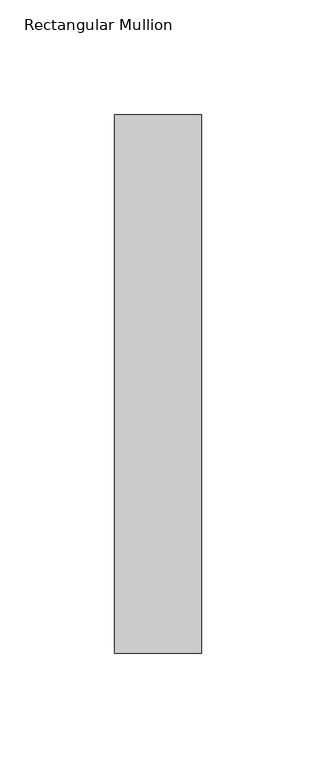
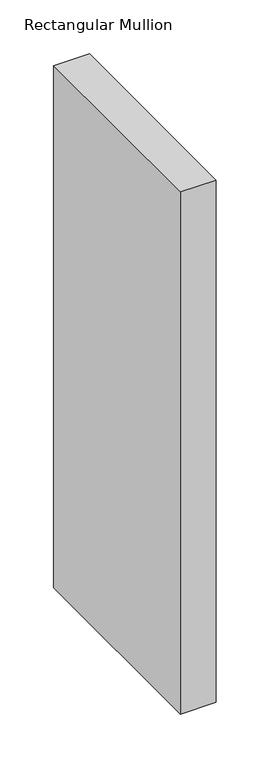
"""IFC4 building model written with IfcOpenShell, lengths in millimetres: member geometry, Rectangular Mullion."""

from ifc_helpers import new_model, si_unit, frame, origin, place, context, project, spatial, polyline, outline, extrude, source, transform, mapped, element, save


def rectangular_mullion_9ac63370(model_context):
    return source(origin(), model_context, "Body", "SweptSolid", [
        extrude(outline(polyline([(0.0, 0.0), (0.0, -235.0), (-38.0, -235.0), (-38.0, 0.0), (0.0, 0.0)])), frame((0.0, 0.0, -590.4999998), z_axis=(0.0, 0.0, 1.0), x_axis=(1.0, 0.0, 0.0)), (0.0, 0.0, 1.0), 590.4999998),
    ])


if __name__ == "__main__":
    model = new_model("IFC4")
    model_context = context("Model", 3, world=origin())
    ifc_project = project(units=[si_unit("LENGTHUNIT", "METRE", prefix="MILLI")], contexts=[model_context])
    site = spatial("IfcSite", under=ifc_project)
    building = spatial("IfcBuilding", under=site)
    placement = place(None, origin())
    rectangular_mullion_shape = rectangular_mullion_9ac63370(model_context)
    element("IfcMember", 1, ObjectType="Rectangular Mullion", at=placement, inside=building, context=model_context, shape_type="MappedRepresentation", body=[
        mapped(rectangular_mullion_shape, transform((0.0, 0.0, 0.0), x_axis=(1.0, 0.0, 0.0), y_axis=(0.0, 1.0, 0.0), z_axis=(0.0, 0.0, 1.0))),
    ])
    save(model, "model.ifc")
